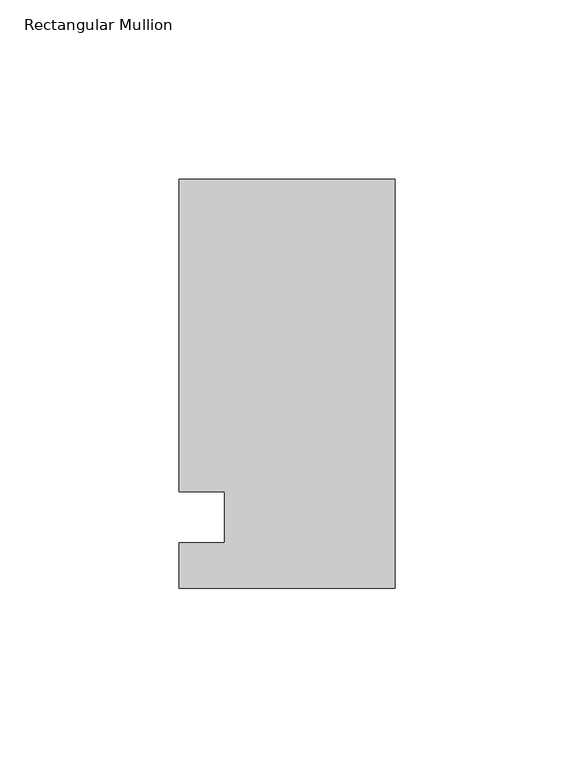
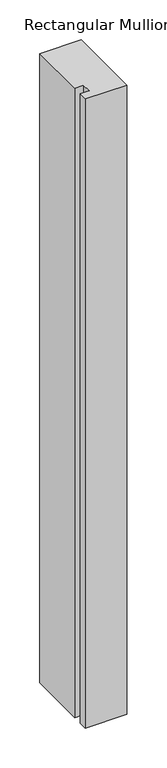
"""IFC4 building model written with IfcOpenShell, lengths in millimetres: member geometry, Rectangular Mullion."""

from ifc_helpers import new_model, si_unit, frame, origin, place, context, project, spatial, polyline, outline, extrude, source, transform, mapped, element, save


def rectangular_mullion_a714b768(model_context):
    return source(origin(), model_context, "Body", "SweptSolid", [
        extrude(outline(polyline([(-60.325, 94.45625), (0.0, 94.45625), (0.0, -19.84375), (-60.325, -19.84375), (-60.325, -7.14375), (-47.6232296, -7.14375), (-47.6232296, 7.14375), (-60.325, 7.14375), (-60.325, 94.45625)])), frame((0.0, 0.0, -965.2), z_axis=(0.0, 0.0, 1.0), x_axis=(1.0, 0.0, 0.0)), (0.0, 0.0, 1.0), 965.2),
    ])


if __name__ == "__main__":
    model = new_model("IFC4")
    model_context = context("Model", 3, world=origin())
    ifc_project = project(units=[si_unit("LENGTHUNIT", "METRE", prefix="MILLI")], contexts=[model_context])
    site = spatial("IfcSite", under=ifc_project)
    building = spatial("IfcBuilding", under=site)
    placement = place(None, origin())
    rectangular_mullion_shape = rectangular_mullion_a714b768(model_context)
    element("IfcMember", 1, ObjectType="Rectangular Mullion", at=placement, inside=building, context=model_context, shape_type="MappedRepresentation", body=[
        mapped(rectangular_mullion_shape, transform((0.0, 0.0, 0.0), x_axis=(1.0, 0.0, 0.0), y_axis=(0.0, 1.0, 0.0), z_axis=(0.0, 0.0, 1.0))),
    ])
    save(model, "model.ifc")
